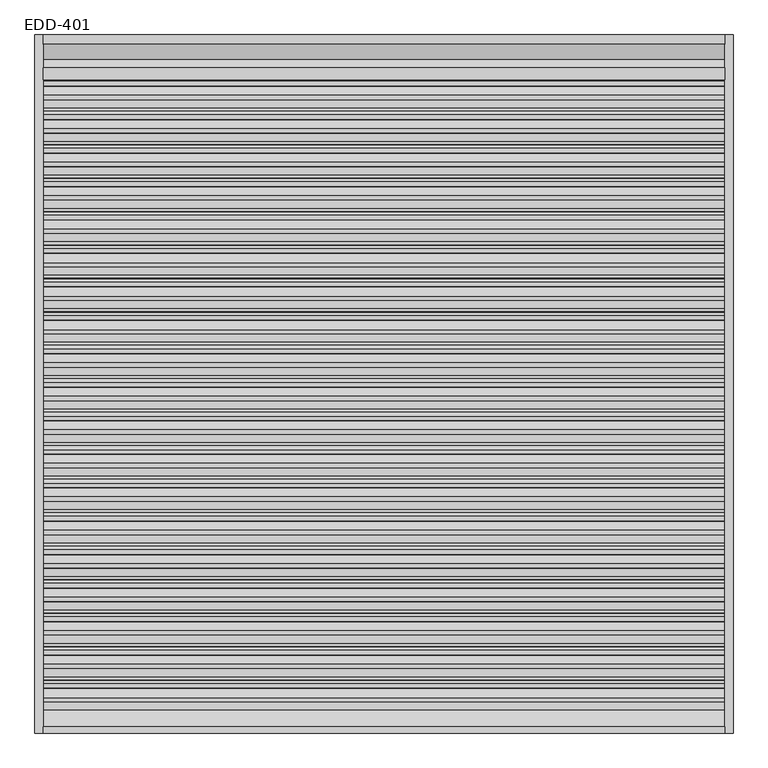
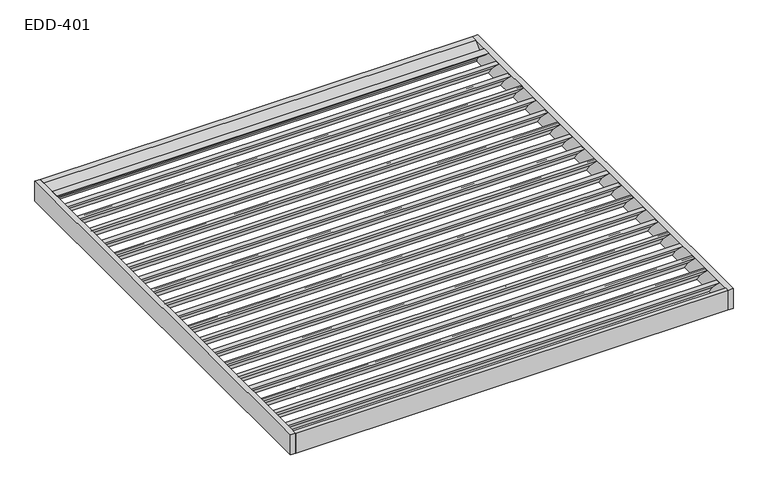
"""IFC4 building model written with IfcOpenShell, lengths in millimetres: proxy geometry, EDD-401."""

import ifcopenshell
import ifcopenshell.guid

model = None  # the IFC model being written
_history = None  # IfcOwnerHistory: only IFC2X3 demands one
_inside = {}  # id of a spatial element -> (the spatial element, [elements in it])
_under = {}  # id of a project, library or spatial element -> (it, [spatial elements below it])
_declared = {}  # id of a project -> (the project, [libraries it declares])
_typed = {}  # id of a type object -> (the type object, [elements of that type])
_made_of = {}  # id of a material, layer set ... -> (it, [elements and type objects made of it])


def new_model(schema):
    """Start an empty IFC model of exactly this schema.

    Asked for "IFC4X3", IfcOpenShell would pick the latest addendum, in which some entities
    have other attributes; the version numbers below select the first issue.
    IFC2X3 requires an IfcOwnerHistory on every rooted entity: one is made here for all.
    """
    global model, _history
    if schema == "IFC4X3":
        model = ifcopenshell.file(schema_version=(4, 3, 0, 0))
    else:
        model = ifcopenshell.file(schema=schema)
    _inside.clear()
    _under.clear()
    _declared.clear()
    _typed.clear()
    _made_of.clear()
    _history = None
    if model.schema == "IFC2X3":
        org = make("IfcOrganization", Name="unknown")
        user = make(
            "IfcPersonAndOrganization",
            ThePerson=make("IfcPerson", FamilyName="unknown"),
            TheOrganization=org,
        )
        app = make(
            "IfcApplication",
            ApplicationDeveloper=org,
            Version="unknown",
            ApplicationFullName="unknown",
            ApplicationIdentifier="unknown",
        )
        _history = make(
            "IfcOwnerHistory",
            OwningUser=user,
            OwningApplication=app,
            ChangeAction="ADDED",
            CreationDate=0,
        )
    return model


def make(cls, **values):
    """One entity of the class cls with the attributes given. An attribute that is None is left unset."""
    return model.create_entity(
        cls, **{name: value for name, value in values.items() if value is not None}
    )


def rooted(cls, **values):
    """An entity with a GlobalId (a new one), such as an element, a storey or a relation."""
    return make(cls, GlobalId=ifcopenshell.guid.new(), OwnerHistory=_history, **values)


def si_unit(unit_type, name, prefix=None):
    """IfcSIUnit, for example si_unit("LENGTHUNIT", "METRE", prefix="MILLI")."""
    return make("IfcSIUnit", UnitType=unit_type, Prefix=prefix, Name=name)


def assignment(units):
    """IfcUnitAssignment: the units of a project."""
    return None if units is None else make("IfcUnitAssignment", Units=units)


def point(xyz):
    """IfcCartesianPoint."""
    return None if xyz is None else make("IfcCartesianPoint", Coordinates=xyz)


def direction(xyz):
    """IfcDirection."""
    return None if xyz is None else make("IfcDirection", DirectionRatios=xyz)


def frame(location, z_axis=None, x_axis=None):
    """IfcAxis2Placement3D, a coordinate frame: its origin and axes. An axis left out is left unset."""
    return make(
        "IfcAxis2Placement3D",
        Location=point(location),
        Axis=direction(z_axis),
        RefDirection=direction(x_axis),
    )


def frame_2d(location, x_axis=None):
    """IfcAxis2Placement2D, a coordinate frame in the plane: its origin and x axis."""
    return make(
        "IfcAxis2Placement2D", Location=point(location), RefDirection=direction(x_axis)
    )


def origin():
    """The frame at (0, 0, 0) with its axes left unset."""
    return frame((0.0, 0.0, 0.0))


def place(relative_to, where):
    """IfcLocalPlacement: puts the frame where relative to a parent placement (None: the world)."""
    return make(
        "IfcLocalPlacement", PlacementRelTo=relative_to, RelativePlacement=where
    )


def context(
    kind, dimensions, precision=None, world=None, true_north=None, identifier=None
):
    """IfcGeometricRepresentationContext, for example the 3D "Model" context."""
    return make(
        "IfcGeometricRepresentationContext",
        ContextIdentifier=identifier,
        ContextType=kind,
        CoordinateSpaceDimension=dimensions,
        Precision=precision,
        WorldCoordinateSystem=world,
        TrueNorth=true_north,
    )


def project(units=None, contexts=None):
    """IfcProject with its units and contexts."""
    return rooted(
        "IfcProject",
        Name="project",
        RepresentationContexts=contexts,
        UnitsInContext=assignment(units),
    )


def spatial(cls, under=None, at=None, **own):
    """A site, building, storey or space (cls), placed at a placement, below another one or the project."""
    s = rooted(cls, ObjectPlacement=at, **own)
    if under is not None:
        _under.setdefault(under.id(), (under, []))[1].append(s)
    return s


def polyline(points):
    """IfcPolyline through the points."""
    return make("IfcPolyline", Points=[point(p) for p in points])


def circle_curve(where, radius):
    """IfcCircle in the frame where."""
    return make("IfcCircle", Position=where, Radius=radius)


def trimmed(basis, trim1, trim2, sense, master):
    """IfcTrimmedCurve: the piece of a basis curve between two trims."""
    return make(
        "IfcTrimmedCurve",
        BasisCurve=basis,
        Trim1=trim1,
        Trim2=trim2,
        SenseAgreement=sense,
        MasterRepresentation=master,
    )


def segment(curve, same_sense, transition):
    """IfcCompositeCurveSegment."""
    return make(
        "IfcCompositeCurveSegment",
        Transition=transition,
        SameSense=same_sense,
        ParentCurve=curve,
    )


def composite_curve(segments, self_intersect=None):
    """IfcCompositeCurve: segments joined end to end."""
    return make("IfcCompositeCurve", Segments=segments, SelfIntersect=self_intersect)


def outline(outer, holes=None, kind="AREA"):
    """IfcArbitraryClosedProfileDef: a profile drawn as a closed curve; with holes, ...WithVoids."""
    if holes is None:
        return make("IfcArbitraryClosedProfileDef", ProfileType=kind, OuterCurve=outer)
    return make(
        "IfcArbitraryProfileDefWithVoids",
        ProfileType=kind,
        OuterCurve=outer,
        InnerCurves=holes,
    )


def extrude(swept, where, along, depth):
    """IfcExtrudedAreaSolid: the profile swept, set in the frame where, extruded along a direction by depth."""
    return make(
        "IfcExtrudedAreaSolid",
        SweptArea=swept,
        Position=where,
        ExtrudedDirection=direction(along),
        Depth=depth,
    )


def shape(context_of_items, identifier, shape_type, items):
    """IfcShapeRepresentation: the items that make up one representation, for example the "Body"."""
    return make(
        "IfcShapeRepresentation",
        ContextOfItems=context_of_items,
        RepresentationIdentifier=identifier,
        RepresentationType=shape_type,
        Items=items,
    )


def source(mapping_origin, context_of_items, identifier, shape_type, items):
    """IfcRepresentationMap: a shape defined once, which mapped items show again and again."""
    return make(
        "IfcRepresentationMap",
        MappingOrigin=mapping_origin,
        MappedRepresentation=shape(context_of_items, identifier, shape_type, items),
    )


def transform(
    local_origin,
    x_axis=None,
    y_axis=None,
    z_axis=None,
    scale=None,
    scale2=None,
    scale3=None,
    uniform=True,
):
    """IfcCartesianTransformationOperator3D, or its non-uniform kind. x_axis, y_axis, z_axis: its Axis1, 2, 3."""
    if uniform:
        return make(
            "IfcCartesianTransformationOperator3D",
            Axis1=direction(x_axis),
            Axis2=direction(y_axis),
            LocalOrigin=point(local_origin),
            Scale=scale,
            Axis3=direction(z_axis),
        )
    return make(
        "IfcCartesianTransformationOperator3DnonUniform",
        Axis1=direction(x_axis),
        Axis2=direction(y_axis),
        LocalOrigin=point(local_origin),
        Scale=scale,
        Axis3=direction(z_axis),
        Scale2=scale2,
        Scale3=scale3,
    )


def mapped(mapping_source, mapping_target):
    """IfcMappedItem: shows the shape of a source again, moved by a transform."""
    return make(
        "IfcMappedItem", MappingSource=mapping_source, MappingTarget=mapping_target
    )


def made_of(thing, what):
    """Note that an element or type object is made of a material, layer set ...; save() writes the relation."""
    if what is not None:
        _made_of.setdefault(what.id(), (what, []))[1].append(thing)
    return thing


def element(
    cls,
    number,
    at=None,
    inside=None,
    cuts=None,
    type_object=None,
    material=None,
    context=None,
    identifier="Body",
    shape_type=None,
    held_by="IfcProductDefinitionShape",
    body=None,
    shapes=None,
    **own,
):
    """One element of the class cls, such as IfcWall. Its Tag is "e" and its number.

    at: its placement. inside: the storey or other place that contains it. cuts: it is an
    opening in that element (IfcRelVoidsElement). A single representation is given by context,
    identifier, shape_type and body (its items); several are given by shapes. held_by: the class
    of the entity that holds the representations. save() writes the other relations.
    """
    e = rooted(cls, Tag="e%d" % number, ObjectPlacement=at, **own)
    if body is not None:
        shapes = [shape(context, identifier, shape_type, body)]
    if shapes is not None:
        e.Representation = make(held_by, Representations=shapes)
    if inside is not None:
        _inside.setdefault(inside.id(), (inside, []))[1].append(e)
    if cuts is not None:
        rooted(
            "IfcRelVoidsElement", RelatingBuildingElement=cuts, RelatedOpeningElement=e
        )
    if type_object is not None:
        _typed.setdefault(type_object.id(), (type_object, []))[1].append(e)
    return made_of(e, material)


def aggregate(whole, parts):
    """IfcRelAggregates: a whole, such as a stair, and the parts it consists of."""
    return rooted("IfcRelAggregates", RelatingObject=whole, RelatedObjects=parts)


def save(model, path):
    """Write the relations noted so far, then the file.

    IfcRelAggregates (storeys below a building ...), IfcRelContainedInSpatialStructure (elements
    in a storey), IfcRelDefinesByType, IfcRelAssociatesMaterial and IfcRelDeclares: one each for
    every whole, place, type object, material and project.
    """
    for whole, parts in _under.values():
        aggregate(whole, parts)
    for where, things in _inside.values():
        rooted(
            "IfcRelContainedInSpatialStructure",
            RelatedElements=things,
            RelatingStructure=where,
        )
    for kind, things in _typed.values():
        rooted("IfcRelDefinesByType", RelatedObjects=things, RelatingType=kind)
    for what, things in _made_of.values():
        rooted("IfcRelAssociatesMaterial", RelatedObjects=things, RelatingMaterial=what)
    for by, libraries in _declared.values():
        rooted("IfcRelDeclares", RelatingContext=by, RelatedDefinitions=libraries)
    model.write(path)


def edd_401_b88ee9ab(model_context):
    return source(origin(), model_context, "Body", "SweptSolid", [
        extrude(outline(composite_curve([segment(polyline([(808.9587816, -71.0222238), (822.2997032, -71.0222238), (833.4852316, -83.114687), (834.4808895, -99.3855676), (852.3723088, -99.5082013), (846.9370342, -94.0883249), (848.3918371, -92.6335219), (857.3837896, -101.6), (827.9001944, -101.6), (801.2981453, -63.6083366), (742.2630773, -4.7405164), (765.3341743, -4.7945737), (765.3341743, -14.2949356), (757.8524921, -6.8344492), (747.2517895, -6.809611), (765.8678756, -25.3729573), (780.1049884, -25.406316), (806.4631217, -53.9015952), (797.799769, -53.9015952)]), True, "CONTINUOUS"), segment(trimmed(circle_curve(frame_2d((743.0832047, -101.7621378)), 72.6948), [point((797.799769, -53.9015952))], [point((808.9587816, -71.0222238))], False, "CARTESIAN"), True, "CONTINUOUS")], self_intersect=False)), frame((-1041.4, 0.0, 0.0), z_axis=(1.0, 0.0, 0.0), x_axis=(0.0, 1.0, 0.0)), (0.0, 0.0, 1.0), 2082.8),
        extrude(outline(composite_curve([segment(polyline([(706.6988212, -71.0222238), (720.0397427, -71.0222238), (731.2252711, -83.114687), (732.2209291, -99.3855676), (750.1123484, -99.5082013), (744.6770737, -94.0883249), (746.1318767, -92.6335219), (755.1238291, -101.6), (725.6402339, -101.6), (699.0381848, -63.6083366), (640.0031169, -4.7405164), (663.0742139, -4.7945737), (663.0742139, -14.2949356), (655.5925317, -6.8344492), (644.991829, -6.809611), (663.6079152, -25.3729573), (677.845028, -25.406316), (704.2031612, -53.9015952), (695.5398086, -53.9015952)]), True, "CONTINUOUS"), segment(trimmed(circle_curve(frame_2d((640.8232442, -101.7621378)), 72.6948), [point((695.5398086, -53.9015952))], [point((706.6988212, -71.0222238))], False, "CARTESIAN"), True, "CONTINUOUS")], self_intersect=False)), frame((-1041.4, 0.0, 0.0), z_axis=(1.0, 0.0, 0.0), x_axis=(0.0, 1.0, 0.0)), (0.0, 0.0, 1.0), 2082.8),
        extrude(outline(composite_curve([segment(polyline([(604.4388608, -71.0222238), (617.7797823, -71.0222238), (628.9653107, -83.114687), (629.9609687, -99.3855676), (647.852388, -99.5082013), (642.4171133, -94.0883249), (643.8719163, -92.6335219), (652.8638687, -101.6), (623.3802735, -101.6), (596.7782244, -63.6083366), (537.7431565, -4.7405164), (560.8142534, -4.7945737), (560.8142534, -14.2949356), (553.3325712, -6.8344492), (542.7318686, -6.809611), (561.3479548, -25.3729573), (575.5850675, -25.406316), (601.9432008, -53.9015952), (593.2798481, -53.9015952)]), True, "CONTINUOUS"), segment(trimmed(circle_curve(frame_2d((538.5632838, -101.7621378)), 72.6948), [point((593.2798481, -53.9015952))], [point((604.4388608, -71.0222238))], False, "CARTESIAN"), True, "CONTINUOUS")], self_intersect=False)), frame((-1041.4, 0.0, 0.0), z_axis=(1.0, 0.0, 0.0), x_axis=(0.0, 1.0, 0.0)), (0.0, 0.0, 1.0), 2082.8),
        extrude(outline(composite_curve([segment(polyline([(502.1789003, -71.0222238), (515.5198219, -71.0222238), (526.7053503, -83.114687), (527.7010083, -99.3855676), (545.5924275, -99.5082013), (540.1571529, -94.0883249), (541.6119558, -92.6335219), (550.6039083, -101.6), (521.1203131, -101.6), (494.518264, -63.6083366), (435.483196, -4.7405164), (458.554293, -4.7945737), (458.554293, -14.2949356), (451.0726108, -6.8344492), (440.4719082, -6.809611), (459.0879943, -25.3729573), (473.3251071, -25.406316), (499.6832404, -53.9015952), (491.0198877, -53.9015952)]), True, "CONTINUOUS"), segment(trimmed(circle_curve(frame_2d((436.3033234, -101.7621378)), 72.6948), [point((491.0198877, -53.9015952))], [point((502.1789003, -71.0222238))], False, "CARTESIAN"), True, "CONTINUOUS")], self_intersect=False)), frame((-1041.4, 0.0, 0.0), z_axis=(1.0, 0.0, 0.0), x_axis=(0.0, 1.0, 0.0)), (0.0, 0.0, 1.0), 2082.8),
        extrude(outline(composite_curve([segment(polyline([(399.9189399, -71.0222238), (413.2598614, -71.0222238), (424.4453898, -83.114687), (425.4410478, -99.3855676), (443.3324671, -99.5082013), (437.8971924, -94.0883249), (439.3519954, -92.6335219), (448.3439478, -101.6), (418.8603526, -101.6), (392.2583035, -63.6083366), (333.2232356, -4.7405164), (356.2943326, -4.7945737), (356.2943326, -14.2949356), (348.8126504, -6.8344492), (338.2119477, -6.809611), (356.8280339, -25.3729573), (371.0651467, -25.406316), (397.42328, -53.9015952), (388.7599273, -53.9015952)]), True, "CONTINUOUS"), segment(trimmed(circle_curve(frame_2d((334.0433629, -101.7621378)), 72.6948), [point((388.7599273, -53.9015952))], [point((399.9189399, -71.0222238))], False, "CARTESIAN"), True, "CONTINUOUS")], self_intersect=False)), frame((-1041.4, 0.0, 0.0), z_axis=(1.0, 0.0, 0.0), x_axis=(0.0, 1.0, 0.0)), (0.0, 0.0, 1.0), 2082.8),
        extrude(outline(composite_curve([segment(polyline([(297.6589795, -71.0222238), (310.999901, -71.0222238), (322.1854294, -83.114687), (323.1810874, -99.3855676), (341.0725067, -99.5082013), (335.637232, -94.0883249), (337.092035, -92.6335219), (346.0839874, -101.6), (316.6003922, -101.6), (289.9983431, -63.6083366), (230.9632752, -4.7405164), (254.0343721, -4.7945737), (254.0343721, -14.2949356), (246.5526899, -6.8344492), (235.9519873, -6.809611), (254.5680735, -25.3729573), (268.8051862, -25.406316), (295.1633195, -53.9015952), (286.4999668, -53.9015952)]), True, "CONTINUOUS"), segment(trimmed(circle_curve(frame_2d((231.7834025, -101.7621378)), 72.6948), [point((286.4999668, -53.9015952))], [point((297.6589795, -71.0222238))], False, "CARTESIAN"), True, "CONTINUOUS")], self_intersect=False)), frame((-1041.4, 0.0, 0.0), z_axis=(1.0, 0.0, 0.0), x_axis=(0.0, 1.0, 0.0)), (0.0, 0.0, 1.0), 2082.8),
        extrude(outline(composite_curve([segment(polyline([(195.399019, -71.0222238), (208.7399406, -71.0222238), (219.925469, -83.114687), (220.921127, -99.3855676), (238.8125462, -99.5082013), (233.3772716, -94.0883249), (234.8320745, -92.6335219), (243.824027, -101.6), (214.3404318, -101.6), (187.7383827, -63.6083366), (128.7033147, -4.7405164), (151.7744117, -4.7945737), (151.7744117, -14.2949356), (144.2927295, -6.8344492), (133.6920269, -6.809611), (152.308113, -25.3729573), (166.5452258, -25.406316), (192.9033591, -53.9015952), (184.2400064, -53.9015952)]), True, "CONTINUOUS"), segment(trimmed(circle_curve(frame_2d((129.5234421, -101.7621378)), 72.6948), [point((184.2400064, -53.9015952))], [point((195.399019, -71.0222238))], False, "CARTESIAN"), True, "CONTINUOUS")], self_intersect=False)), frame((-1041.4, 0.0, 0.0), z_axis=(1.0, 0.0, 0.0), x_axis=(0.0, 1.0, 0.0)), (0.0, 0.0, 1.0), 2082.8),
        extrude(outline(composite_curve([segment(polyline([(93.1390586, -71.0222238), (106.4799801, -71.0222238), (117.6655086, -83.114687), (118.6611665, -99.3855676), (136.5525858, -99.5082013), (131.1173111, -94.0883249), (132.5721141, -92.6335219), (141.5640666, -101.6), (112.0804713, -101.6), (85.4784223, -63.6083366), (26.4433543, -4.7405164), (49.5144513, -4.7945737), (49.5144513, -14.2949356), (42.0327691, -6.8344492), (31.4320664, -6.809611), (50.0481526, -25.3729573), (64.2852654, -25.406316), (90.6433987, -53.9015952), (81.980046, -53.9015952)]), True, "CONTINUOUS"), segment(trimmed(circle_curve(frame_2d((27.2634816, -101.7621378)), 72.6948), [point((81.980046, -53.9015952))], [point((93.1390586, -71.0222238))], False, "CARTESIAN"), True, "CONTINUOUS")], self_intersect=False)), frame((-1041.4, 0.0, 0.0), z_axis=(1.0, 0.0, 0.0), x_axis=(0.0, 1.0, 0.0)), (0.0, 0.0, 1.0), 2082.8),
        extrude(outline(composite_curve([segment(polyline([(-9.1209018, -71.0222238), (4.2200197, -71.0222238), (15.4055481, -83.114687), (16.4012061, -99.3855676), (34.2926254, -99.5082013), (28.8573507, -94.0883249), (30.3121537, -92.6335219), (39.3041061, -101.6), (9.8205109, -101.6), (-16.7815382, -63.6083366), (-75.8166061, -4.7405164), (-52.7455092, -4.7945737), (-52.7455092, -14.2949356), (-60.2271913, -6.8344492), (-70.827894, -6.809611), (-52.2118078, -25.3729573), (-37.974695, -25.406316), (-11.6165618, -53.9015952), (-20.2799144, -53.9015952)]), True, "CONTINUOUS"), segment(trimmed(circle_curve(frame_2d((-74.9964788, -101.7621378)), 72.6948), [point((-20.2799144, -53.9015952))], [point((-9.1209018, -71.0222238))], False, "CARTESIAN"), True, "CONTINUOUS")], self_intersect=False)), frame((-1041.4, 0.0, 0.0), z_axis=(1.0, 0.0, 0.0), x_axis=(0.0, 1.0, 0.0)), (0.0, 0.0, 1.0), 2082.8),
        extrude(outline(composite_curve([segment(polyline([(-111.3808623, -71.0222238), (-98.0399407, -71.0222238), (-86.8544123, -83.114687), (-85.8587543, -99.3855676), (-67.967335, -99.5082013), (-73.4026097, -94.0883249), (-71.9478068, -92.6335219), (-62.9558543, -101.6), (-92.4394495, -101.6), (-119.0414986, -63.6083366), (-178.0765666, -4.7405164), (-155.0054696, -4.7945737), (-155.0054696, -14.2949356), (-162.4871518, -6.8344492), (-173.0878544, -6.809611), (-154.4717683, -25.3729573), (-140.2346555, -25.406316), (-113.8765222, -53.9015952), (-122.5398749, -53.9015952)]), True, "CONTINUOUS"), segment(trimmed(circle_curve(frame_2d((-177.2564392, -101.7621378)), 72.6948), [point((-122.5398749, -53.9015952))], [point((-111.3808623, -71.0222238))], False, "CARTESIAN"), True, "CONTINUOUS")], self_intersect=False)), frame((-1041.4, 0.0, 0.0), z_axis=(1.0, 0.0, 0.0), x_axis=(0.0, 1.0, 0.0)), (0.0, 0.0, 1.0), 2082.8),
        extrude(outline(composite_curve([segment(polyline([(-213.6408227, -71.0222238), (-200.2999011, -71.0222238), (-189.1143727, -83.114687), (-188.1187148, -99.3855676), (-170.2272955, -99.5082013), (-175.6625702, -94.0883249), (-174.2077672, -92.6335219), (-165.2158147, -101.6), (-194.69941, -101.6), (-221.301459, -63.6083366), (-280.336527, -4.7405164), (-257.26543, -4.7945737), (-257.26543, -14.2949356), (-264.7471122, -6.8344492), (-275.3478148, -6.809611), (-256.7317287, -25.3729573), (-242.4946159, -25.406316), (-216.1364826, -53.9015952), (-224.7998353, -53.9015952)]), True, "CONTINUOUS"), segment(trimmed(circle_curve(frame_2d((-279.5163997, -101.7621378)), 72.6948), [point((-224.7998353, -53.9015952))], [point((-213.6408227, -71.0222238))], False, "CARTESIAN"), True, "CONTINUOUS")], self_intersect=False)), frame((-1041.4, 0.0, 0.0), z_axis=(1.0, 0.0, 0.0), x_axis=(0.0, 1.0, 0.0)), (0.0, 0.0, 1.0), 2082.8),
        extrude(outline(composite_curve([segment(polyline([(-315.9007831, -71.0222238), (-302.5598616, -71.0222238), (-291.3743332, -83.114687), (-290.3786752, -99.3855676), (-272.4872559, -99.5082013), (-277.9225306, -94.0883249), (-276.4677276, -92.6335219), (-267.4757752, -101.6), (-296.9593704, -101.6), (-323.5614195, -63.6083366), (-382.5964874, -4.7405164), (-359.5253905, -4.7945737), (-359.5253905, -14.2949356), (-367.0070726, -6.8344492), (-377.6077753, -6.809611), (-358.9916891, -25.3729573), (-344.7545763, -25.406316), (-318.3964431, -53.9015952), (-327.0597957, -53.9015952)]), True, "CONTINUOUS"), segment(trimmed(circle_curve(frame_2d((-381.7763601, -101.7621378)), 72.6948), [point((-327.0597957, -53.9015952))], [point((-315.9007831, -71.0222238))], False, "CARTESIAN"), True, "CONTINUOUS")], self_intersect=False)), frame((-1041.4, 0.0, 0.0), z_axis=(1.0, 0.0, 0.0), x_axis=(0.0, 1.0, 0.0)), (0.0, 0.0, 1.0), 2082.8),
        extrude(outline(composite_curve([segment(polyline([(-418.1607436, -71.0222238), (-404.819822, -71.0222238), (-393.6342936, -83.114687), (-392.6386356, -99.3855676), (-374.7472163, -99.5082013), (-380.182491, -94.0883249), (-378.7276881, -92.6335219), (-369.7357356, -101.6), (-399.2193308, -101.6), (-425.8213799, -63.6083366), (-484.8564478, -4.7405164), (-461.7853509, -4.7945737), (-461.7853509, -14.2949356), (-469.2670331, -6.8344492), (-479.8677357, -6.809611), (-461.2516495, -25.3729573), (-447.0145368, -25.406316), (-420.6564035, -53.9015952), (-429.3197562, -53.9015952)]), True, "CONTINUOUS"), segment(trimmed(circle_curve(frame_2d((-484.0363205, -101.7621378)), 72.6948), [point((-429.3197562, -53.9015952))], [point((-418.1607436, -71.0222238))], False, "CARTESIAN"), True, "CONTINUOUS")], self_intersect=False)), frame((-1041.4, 0.0, 0.0), z_axis=(1.0, 0.0, 0.0), x_axis=(0.0, 1.0, 0.0)), (0.0, 0.0, 1.0), 2082.8),
        extrude(outline(composite_curve([segment(polyline([(-520.420704, -71.0222238), (-507.0797824, -71.0222238), (-495.894254, -83.114687), (-494.8985961, -99.3855676), (-477.0071768, -99.5082013), (-482.4424514, -94.0883249), (-480.9876485, -92.6335219), (-471.995696, -101.6), (-501.4792912, -101.6), (-528.0813403, -63.6083366), (-587.1164083, -4.7405164), (-564.0453113, -4.7945737), (-564.0453113, -14.2949356), (-571.5269935, -6.8344492), (-582.1276961, -6.809611), (-563.51161, -25.3729573), (-549.2744972, -25.406316), (-522.9163639, -53.9015952), (-531.5797166, -53.9015952)]), True, "CONTINUOUS"), segment(trimmed(circle_curve(frame_2d((-586.2962809, -101.7621378)), 72.6948), [point((-531.5797166, -53.9015952))], [point((-520.420704, -71.0222238))], False, "CARTESIAN"), True, "CONTINUOUS")], self_intersect=False)), frame((-1041.4, 0.0, 0.0), z_axis=(1.0, 0.0, 0.0), x_axis=(0.0, 1.0, 0.0)), (0.0, 0.0, 1.0), 2082.8),
        extrude(outline(composite_curve([segment(polyline([(-622.6806644, -71.0222238), (-609.3397429, -71.0222238), (-598.1542145, -83.114687), (-597.1585565, -99.3855676), (-579.2671372, -99.5082013), (-584.7024119, -94.0883249), (-583.2476089, -92.6335219), (-574.2556565, -101.6), (-603.7392517, -101.6), (-630.3413008, -63.6083366), (-689.3763687, -4.7405164), (-666.3052717, -4.7945737), (-666.3052717, -14.2949356), (-673.7869539, -6.8344492), (-684.3876566, -6.809611), (-665.7715704, -25.3729573), (-651.5344576, -25.406316), (-625.1763244, -53.9015952), (-633.839677, -53.9015952)]), True, "CONTINUOUS"), segment(trimmed(circle_curve(frame_2d((-688.5562414, -101.7621378)), 72.6948), [point((-633.839677, -53.9015952))], [point((-622.6806644, -71.0222238))], False, "CARTESIAN"), True, "CONTINUOUS")], self_intersect=False)), frame((-1041.4, 0.0, 0.0), z_axis=(1.0, 0.0, 0.0), x_axis=(0.0, 1.0, 0.0)), (0.0, 0.0, 1.0), 2082.8),
        extrude(outline(composite_curve([segment(polyline([(-724.9406248, -71.0222238), (-711.5997033, -71.0222238), (-700.4141749, -83.114687), (-699.4185169, -99.3855676), (-681.5270976, -99.5082013), (-686.9623723, -94.0883249), (-685.5075694, -92.6335219), (-676.5156169, -101.6), (-705.9992121, -101.6), (-732.6012612, -63.6083366), (-791.6363291, -4.7405164), (-768.5652322, -4.7945737), (-768.5652322, -14.2949356), (-776.0469144, -6.8344492), (-786.647617, -6.809611), (-768.0315308, -25.3729573), (-753.7944181, -25.406316), (-727.4362848, -53.9015952), (-736.0996375, -53.9015952)]), True, "CONTINUOUS"), segment(trimmed(circle_curve(frame_2d((-790.8162018, -101.7621378)), 72.6948), [point((-736.0996375, -53.9015952))], [point((-724.9406248, -71.0222238))], False, "CARTESIAN"), True, "CONTINUOUS")], self_intersect=False)), frame((-1041.4, 0.0, 0.0), z_axis=(1.0, 0.0, 0.0), x_axis=(0.0, 1.0, 0.0)), (0.0, 0.0, 1.0), 2082.8),
        extrude(outline(composite_curve([segment(polyline([(-827.2005853, -71.0222238), (-813.8596637, -71.0222238), (-802.6741353, -83.114687), (-801.6784773, -99.3855676), (-783.7870581, -99.5082013), (-789.2223327, -94.0883249), (-787.7675298, -92.6335219), (-778.7755773, -101.6), (-808.2591725, -101.6), (-834.8612216, -63.6083366), (-893.8962896, -4.7405164), (-870.8251926, -4.7945737), (-870.8251926, -14.2949356), (-878.3068748, -6.8344492), (-888.9075774, -6.809611), (-870.2914913, -25.3729573), (-856.0543785, -25.406316), (-829.6962452, -53.9015952), (-838.3595979, -53.9015952)]), True, "CONTINUOUS"), segment(trimmed(circle_curve(frame_2d((-893.0761622, -101.7621378)), 72.6948), [point((-838.3595979, -53.9015952))], [point((-827.2005853, -71.0222238))], False, "CARTESIAN"), True, "CONTINUOUS")], self_intersect=False)), frame((-1041.4, 0.0, 0.0), z_axis=(1.0, 0.0, 0.0), x_axis=(0.0, 1.0, 0.0)), (0.0, 0.0, 1.0), 2082.8),
        extrude(outline(composite_curve([segment(polyline([(911.218742, -71.0222238), (924.5596636, -71.0222238), (935.745192, -83.114687), (936.74085, -99.3855676), (954.6322693, -99.5082013), (949.1969946, -94.0883249), (950.6517975, -92.6335219), (959.64375, -101.6), (930.1601548, -101.6), (903.5581057, -63.6083366), (844.5230378, -4.7405164), (867.5941347, -4.7945737), (867.5941347, -14.2949356), (860.1124525, -6.8344492), (849.5117499, -6.809611), (868.1278361, -25.3729573), (882.3649488, -25.406316), (908.7230821, -53.9015952), (900.0597294, -53.9015952)]), True, "CONTINUOUS"), segment(trimmed(circle_curve(frame_2d((845.3431651, -101.7621378)), 72.6948), [point((900.0597294, -53.9015952))], [point((911.218742, -71.0222238))], False, "CARTESIAN"), True, "CONTINUOUS")], self_intersect=False)), frame((-1041.4, 0.0, 0.0), z_axis=(1.0, 0.0, 0.0), x_axis=(0.0, 1.0, 0.0)), (0.0, 0.0, 1.0), 2082.8),
        extrude(outline(composite_curve([segment(polyline([(-929.4605457, -71.0222238), (-916.1196242, -71.0222238), (-904.9340958, -83.114687), (-903.9384378, -99.3855676), (-886.0470185, -99.5082013), (-891.4822932, -94.0883249), (-890.0274902, -92.6335219), (-881.0355378, -101.6), (-910.519133, -101.6), (-937.1211821, -63.6083366), (-996.15625, -4.7405164), (-973.085153, -4.7945737), (-973.085153, -14.2949356), (-980.5668352, -6.8344492), (-991.1675379, -6.809611), (-972.5514517, -25.3729573), (-958.3143389, -25.406316), (-931.9562056, -53.9015952), (-940.6195583, -53.9015952)]), True, "CONTINUOUS"), segment(trimmed(circle_curve(frame_2d((-995.3361227, -101.7621378)), 72.6948), [point((-940.6195583, -53.9015952))], [point((-929.4605457, -71.0222238))], False, "CARTESIAN"), True, "CONTINUOUS")], self_intersect=False)), frame((-1041.4, 0.0, 0.0), z_axis=(1.0, 0.0, 0.0), x_axis=(0.0, 1.0, 0.0)), (0.0, 0.0, 1.0), 2082.8),
        extrude(outline(polyline([(-1066.8, -101.6), (-1066.8, 0.0), (-1047.75, 0.0), (-959.761819, -101.6), (-1066.8, -101.6)])), frame((-1041.4, 0.0, 0.0), z_axis=(1.0, 0.0, 0.0), x_axis=(0.0, 1.0, 0.0)), (0.0, 0.0, 1.0), 2082.8),
        extrude(outline(polyline([(978.1246354, -31.5976), (960.6492079, -31.5976), (929.0516079, 0.0), (965.8562079, 0.0), (965.8562079, -13.4804385), (991.9270053, -45.6375947), (1037.5646, 0.0), (1066.8, 0.0), (1066.8, -101.6), (1028.7, -101.6), (1028.7, -93.980038), (978.1246354, -31.5976)])), frame((-1041.4, 0.0, 0.0), z_axis=(1.0, 0.0, 0.0), x_axis=(0.0, 1.0, 0.0)), (0.0, 0.0, 1.0), 2082.8),
        extrude(outline(polyline([(1041.4, 1066.8), (1066.8, 1066.8), (1066.8, -1066.8), (1041.4, -1066.8), (1041.4, 1066.8)])), frame((0.0, 0.0, -101.6), z_axis=(0.0, 0.0, 1.0), x_axis=(1.0, 0.0, 0.0)), (0.0, 0.0, 1.0), 101.6),
        extrude(outline(polyline([(-1066.8, 1066.8), (-1041.4, 1066.8), (-1041.4, -1066.8), (-1066.8, -1066.8), (-1066.8, 1066.8)])), frame((0.0, 0.0, -101.6), z_axis=(0.0, 0.0, 1.0), x_axis=(1.0, 0.0, 0.0)), (0.0, 0.0, 1.0), 101.6),
    ])


if __name__ == "__main__":
    model = new_model("IFC4")
    model_context = context("Model", 3, world=origin())
    ifc_project = project(units=[si_unit("LENGTHUNIT", "METRE", prefix="MILLI")], contexts=[model_context])
    site = spatial("IfcSite", under=ifc_project)
    building = spatial("IfcBuilding", under=site)
    placement = place(None, origin())
    edd_401_shape = edd_401_b88ee9ab(model_context)
    element("IfcBuildingElementProxy", 1, Name="EDD-401", ObjectType="EDD-401", at=placement, inside=building, context=model_context, shape_type="MappedRepresentation", body=[
        mapped(edd_401_shape, transform((0.0, 0.0, 0.0), x_axis=(1.0, 0.0, 0.0), y_axis=(0.0, 1.0, 0.0), z_axis=(0.0, 0.0, 1.0))),
    ])
    save(model, "model.ifc")
